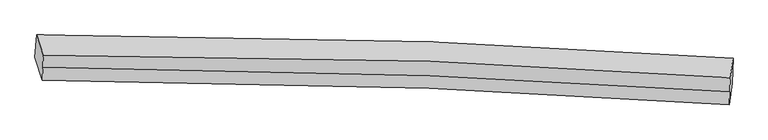
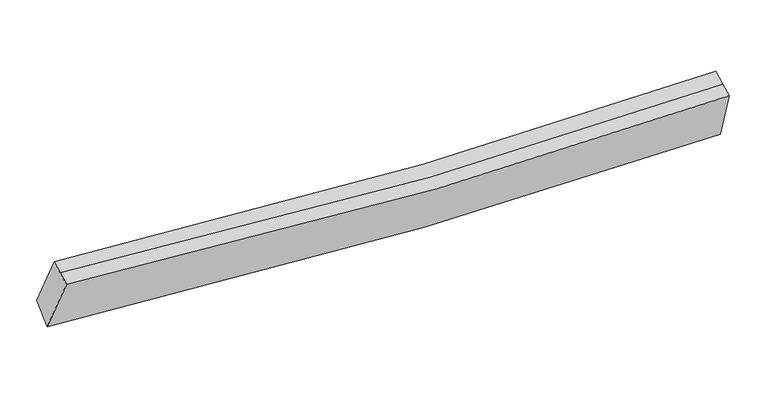
"""IFC4 building model written with IfcOpenShell, lengths in millimetres: proxy geometry."""

from ifc_helpers import new_model, si_unit, frame, origin, place, context, project, spatial, source, transform, mapped, element, save
from ifc_brep_helpers import plane_surface, spline_curve, spline_surface, advanced_brep


def generic_models_f8d916bb(model_context):
    return source(origin(), model_context, "Body", "AdvancedBrep", [
        advanced_brep(
        [(-4169.6430499, -1923.8867403, 2810.6367583), (-4147.4386692, -1639.7330111, 3003.9981394), (4630.4799883, -1932.2432957, 2841.5809459), (4619.9021426, -2248.2685152, 2646.2833019), (-4076.6630124, -2210.2760718, 3551.808711), (4581.5745546, -2520.8345004, 3365.4069211), (-4069.9208752, -2046.8769198, 3614.1004498), (4588.3166918, -2357.4353485, 3427.6986599), (-4063.7566355, -1897.4834095, 3671.0528968), (4595.6367265, -2180.0305549, 3495.3296907)],
        [
            (0, 1),
            (1, 2, spline_curve(3, [(-4147.4386692, -1639.7330111, 3003.9981394), (-2494.861549088, -1633.546085366, 2834.615816635), (-844.109108369, -1661.82797062, 2743.510063648), (2081.132294519, -1773.14936256, 2720.750754061), (3356.352739334, -1842.370905889, 2757.717442442), (4630.4799883, -1932.2432957, 2841.5809459)], [4, 2, 4], [0.0, 16.27598673597075, 28.87403037100913])),
            (2, 3),
            (3, 0, spline_curve(3, [(4619.9021426, -2248.2685152, 2646.2833019), (3344.565701491, -2165.035784448, 2570.479686612), (2067.925878282, -2097.534522248, 2538.179138672), (-861.050395833, -1978.880970682, 2563.854705115), (-2514.258970403, -1938.254975228, 2650.939738134), (-4169.6430499, -1923.8867403, 2810.6367583)], [4, 2, 4], [0.0, 12.59804363503838, 28.87403037100913])),
            (4, 0),
            (3, 5),
            (5, 4, spline_curve(3, [(4581.5745546, -2520.8345004, 3365.4069211), (3320.402672927, -2434.114362481, 3278.922294209), (2060.079470166, -2365.524454295, 3242.000063501), (-826.567589686, -2249.873617879, 3270.97063558), (-2452.323576504, -2214.944049552, 3370.026796182), (-4076.6630124, -2210.2760718, 3551.808711)], [4, 2, 4], [0.0, 12.51382538403966, 28.681006723244714])),
            (6, 4),
            (5, 7),
            (7, 6, spline_curve(3, [(4588.3166918, -2357.4353485, 3427.6986599), (3327.144810089, -2270.715210534, 3341.214032919), (2066.821607602, -2202.125302406, 3304.291802201), (-819.82545279, -2086.474465965, 3333.262374737), (-2445.581439136, -2051.544897854, 3432.318535131), (-4069.9208752, -2046.8769198, 3614.1004498)], [4, 2, 4], [0.0, 12.422076976056726, 28.470724365496487])),
            (8, 6),
            (7, 9),
            (9, 8, spline_curve(3, [(4595.6367265, -2180.0305549, 3495.3296907), (3334.594954864, -2090.15713186, 3410.047172961), (2074.27175237, -2021.567224128, 3373.124942301), (-812.673513218, -1913.143544783, 3399.340345517), (-2438.814764844, -1887.551071408, 3494.836978214), (-4063.7566355, -1897.4834095, 3671.0528968)], [4, 2, 4], [0.0, 12.42204126992884, 28.47064252899466])),
            (1, 8),
            (9, 2),
        ],
        [
            spline_surface(3, 3, [[(-4169.6430499, -1923.8867403, 2810.6367583), (-2514.258970433, -1938.254975029, 2650.939738157), (-861.050395924, -1978.880970853, 2563.854704974), (2067.925878352, -2097.534522116, 2538.179138782), (3344.565701347, -2165.035784581, 2570.479686516), (4619.9021426, -2248.2685152, 2646.2833019)], [(-4162.241589683, -1829.168830584, 2875.090551991), (-2507.793163368, -1836.685345103, 2712.165097623), (-855.403300054, -1873.196637369, 2623.739824515), (2072.328017057, -1989.406135672, 2599.036343865), (3348.494714027, -2057.480824983, 2632.892271857), (4623.428091157, -2142.926775347, 2711.382516594)], [(-4154.840129417, -1734.450920816, 2939.544345709), (-2501.327356253, -1735.115715126, 2773.390457115), (-849.756204179, -1767.512303855, 2683.624944095), (2076.730155767, -1881.277749196, 2659.893548986), (3352.423726737, -1949.925865444, 2695.304857117), (4626.954039743, -2037.585035553, 2776.481731206)], [(-4147.4386692, -1639.7330111, 3003.9981394), (-2494.861549189, -1633.5460852, 2834.61581658), (-844.109108309, -1661.827970371, 2743.510063637), (2081.132294473, -1773.149362753, 2720.750754069), (3356.352739418, -1842.370905845, 2757.717442458), (4630.4799883, -1932.2432957, 2841.5809459)]], [4, 4], [4, 2, 4], [0.0, 1.2056800904813956], [0.0, 16.27598673597075, 28.87403037100913]),
            spline_surface(3, 3, [[(-4076.6630124, -2210.2760718, 3551.808711), (-2452.323576548, -2214.944049729, 3370.026796233), (-826.567589942, -2249.87361775, 3270.970635654), (2060.079470364, -2365.524454394, 3242.000063443), (3320.402672727, -2434.114362537, 3278.922294059), (4581.5745546, -2520.8345004, 3365.4069211)], [(-4107.65635822, -2114.812961307, 3304.751393438), (-2472.96870783, -2122.714358169, 3130.331110213), (-838.061858624, -2159.542735423, 3035.265325434), (2062.694939671, -2276.19447694, 3007.393088563), (3328.457015596, -2344.421503212, 3042.774758209), (4594.350417262, -2429.979171993, 3125.699048031)], [(-4138.64970408, -2019.349850793, 3057.694075862), (-2493.613839151, -2030.484666589, 2890.635424178), (-849.556127241, -2069.21185318, 2799.560015193), (2065.310409044, -2186.86449957, 2772.786113662), (3336.511358478, -2254.728643906, 2806.627222366), (4607.126279938, -2339.123843607, 2885.991174969)], [(-4169.6430499, -1923.8867403, 2810.6367583), (-2514.258970433, -1938.254975029, 2650.939738157), (-861.050395924, -1978.880970853, 2563.854704974), (2067.925878352, -2097.534522116, 2538.179138782), (3344.565701347, -2165.035784581, 2570.479686516), (4619.9021426, -2248.2685152, 2646.2833019)]], [4, 4], [4, 2, 4], [0.0, 2.481527460547044], [0.0, 16.167181339205055, 28.681006723244714]),
            spline_surface(3, 3, [[(-4069.9208752, -2046.8769198, 3614.1004498), (-2445.581439348, -2051.544897729, 3432.318535033), (-819.825452742, -2086.47446585, 3333.262374554), (2066.821607564, -2202.125302494, 3304.291802343), (3327.144809927, -2270.715210637, 3341.214032859), (4588.3166918, -2357.4353485, 3427.6986599)], [(-4072.168254263, -2101.343303782, 3593.336536849), (-2447.828818411, -2106.011281711, 3411.554622082), (-822.072831805, -2140.940849832, 3312.498461603), (2064.574228501, -2256.591686477, 3283.527889392), (3324.897430864, -2325.181594619, 3320.450119908), (4586.069312737, -2411.901732482, 3406.934746949)], [(-4074.415633337, -2155.809687818, 3572.572623951), (-2450.076197485, -2160.477665747, 3390.790709184), (-824.320210879, -2195.407233768, 3291.734548605), (2062.326849427, -2311.058070412, 3262.763976394), (3322.65005179, -2379.647978555, 3299.68620701), (4583.821933663, -2466.368116418, 3386.170834051)], [(-4076.6630124, -2210.2760718, 3551.808711), (-2452.323576548, -2214.944049729, 3370.026796233), (-826.567589942, -2249.87361775, 3270.970635654), (2060.079470364, -2365.524454394, 3242.000063443), (3320.402672727, -2434.114362537, 3278.922294059), (4581.5745546, -2520.8345004, 3365.4069211)]], [4, 4], [4, 2, 4], [0.0, 0.5741469816272979], [0.0, 16.04864738943976, 28.470724365496487]),
            spline_surface(3, 3, [[(-4063.7566355, -1897.4834095, 3671.0528968), (-2438.814764854, -1887.551071285, 3494.836978365), (-812.673513212, -1913.143545001, 3399.340345717), (2074.271752366, -2021.567223959, 3373.124942146), (3334.594954729, -2090.157132001, 3410.047172762), (4595.6367265, -2180.0305549, 3495.3296907)], [(-4065.811382072, -1947.281246284, 3652.068747816), (-2441.070323024, -1942.215680117, 3473.997497271), (-815.057493043, -1970.920518631, 3377.314355311), (2071.788370778, -2081.753250151, 3350.180562193), (3332.111573141, -2150.343158194, 3387.10279281), (4593.196714946, -2239.165486081, 3472.786013782)], [(-4067.866128628, -1997.079083016, 3633.084598784), (-2443.325881178, -1996.880288897, 3453.158016128), (-817.441472911, -2028.69749222, 3355.28836496), (2069.304989152, -2141.939276302, 3327.236182296), (3329.628191515, -2210.529184444, 3364.158412812), (4590.756703354, -2298.300417319, 3450.242336818)], [(-4069.9208752, -2046.8769198, 3614.1004498), (-2445.581439348, -2051.544897729, 3432.318535033), (-819.825452742, -2086.47446585, 3333.262374554), (2066.821607564, -2202.125302494, 3304.291802343), (3327.144809927, -2270.715210637, 3341.214032859), (4588.3166918, -2357.4353485, 3427.6986599)]], [4, 4], [4, 2, 4], [0.0, 0.6177992063623132], [0.0, 16.04860125906582, 28.47064252899466]),
            spline_surface(3, 3, [[(-4147.4386692, -1639.7330111, 3003.9981394), (-2494.861549189, -1633.5460852, 2834.61581658), (-844.109108309, -1661.827970371, 2743.510063637), (2081.132294473, -1773.149362753, 2720.750754069), (3356.352739418, -1842.370905845, 2757.717442458), (4630.4799883, -1932.2432957, 2841.5809459)], [(-4119.544657962, -1725.649810544, 3226.349725206), (-2476.179287739, -1718.214413872, 3054.689537181), (-833.630576603, -1745.599828569, 2962.120157672), (2078.845447111, -1855.955316476, 2938.20881677), (3349.10014452, -1924.966314594, 2975.16068587), (4618.865567698, -2014.839048797, 3059.497194144)], [(-4091.650646738, -1811.566610056, 3448.701310994), (-2457.497026304, -1802.882742613, 3274.763257764), (-823.152044918, -1829.371686802, 3180.730251682), (2076.558599728, -1938.761270235, 3155.666879446), (3341.847549627, -2007.561723252, 3192.60392935), (4607.251147102, -2097.434801803, 3277.413442456)], [(-4063.7566355, -1897.4834095, 3671.0528968), (-2438.814764854, -1887.551071285, 3494.836978365), (-812.673513212, -1913.143545001, 3399.340345717), (2074.271752366, -2021.567223959, 3373.124942146), (3334.594954729, -2090.157132001, 3410.047172762), (4595.6367265, -2180.0305549, 3495.3296907)]], [4, 4], [4, 2, 4], [0.0, 2.300065744082769], [0.0, 16.15740887327321, 28.663670110559217]),
            plane_surface(frame((4606.898353, -2220.3442166, 3087.1502149), z_axis=(0.9980170589568621, -0.053698866034383466, 0.03283872436189905), x_axis=(-0.038526498221877856, -0.9337094396933996, -0.3559527934462624))),
            plane_surface(frame((-4114.3753418, -1917.8448082, 3259.3741264), z_axis=(-0.9924754140153862, -0.005677180189617825, 0.12231239593795329), x_axis=(-0.06446894319780123, -0.8250214636640537, -0.5614119163827763))),
        ],
        [
            (0, [[1, 2, 3, 4]]),
            (1, [[5, -4, 6, 7]]),
            (2, [[8, -7, 9, 10]]),
            (3, [[11, -10, 12, 13]]),
            (4, [[14, -13, 15, -2]]),
            (5, [[-9, -6, -3, -15, -12]]),
            (6, [[-1, -5, -8, -11, -14]]),
        ],
    ),
    ])


if __name__ == "__main__":
    model = new_model("IFC4")
    model_context = context("Model", 3, world=origin())
    ifc_project = project(units=[si_unit("LENGTHUNIT", "METRE", prefix="MILLI")], contexts=[model_context])
    site = spatial("IfcSite", under=ifc_project)
    building = spatial("IfcBuilding", under=site)
    placement = place(None, origin())
    generic_models_shape = generic_models_f8d916bb(model_context)
    element("IfcBuildingElementProxy", 1, Name="Generic Models", at=placement, inside=building, context=model_context, shape_type="MappedRepresentation", body=[
        mapped(generic_models_shape, transform((0.0, 0.0, 0.0), x_axis=(1.0, 0.0, 0.0), y_axis=(0.0, 1.0, 0.0), z_axis=(0.0, 0.0, 1.0))),
    ])
    save(model, "model.ifc")
